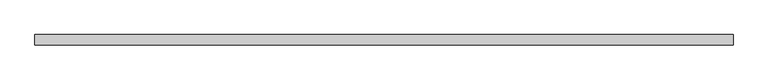
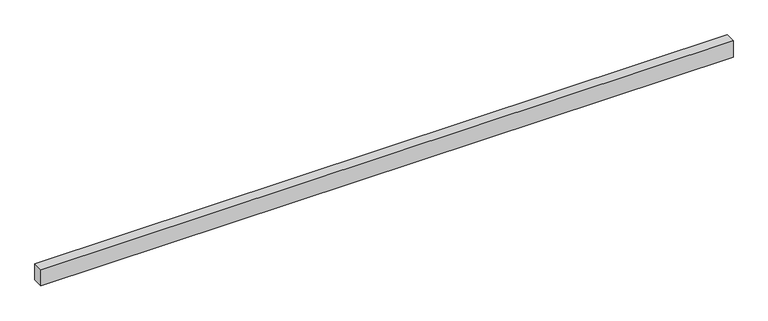
"""IFC4 building model written with IfcOpenShell, lengths in millimetres: proxy geometry."""

from ifc_helpers import new_model, si_unit, origin, origin_with_axes, place, context, project, spatial, polyline, outline, extrude, source, transform, mapped, element, save


def generic_models_45a3c94d(model_context):
    return source(origin(), model_context, "Body", "SweptSolid", [
        extrude(outline(polyline([(20000.0, 300.0), (20000.0, 0.0), (0.0, 0.0), (0.0, 300.0), (20000.0, 300.0)])), origin_with_axes(), (0.0, 0.0, 1.0), 500.0),
    ])


if __name__ == "__main__":
    model = new_model("IFC4")
    model_context = context("Model", 3, world=origin())
    ifc_project = project(units=[si_unit("LENGTHUNIT", "METRE", prefix="MILLI")], contexts=[model_context])
    site = spatial("IfcSite", under=ifc_project)
    building = spatial("IfcBuilding", under=site)
    placement = place(None, origin())
    generic_models_shape = generic_models_45a3c94d(model_context)
    element("IfcBuildingElementProxy", 1, Name="Generic Models", at=placement, inside=building, context=model_context, shape_type="MappedRepresentation", body=[
        mapped(generic_models_shape, transform((0.0, 0.0, 0.0), x_axis=(1.0, 0.0, 0.0), y_axis=(0.0, 1.0, 0.0), z_axis=(0.0, 0.0, 1.0))),
    ])
    save(model, "model.ifc")
